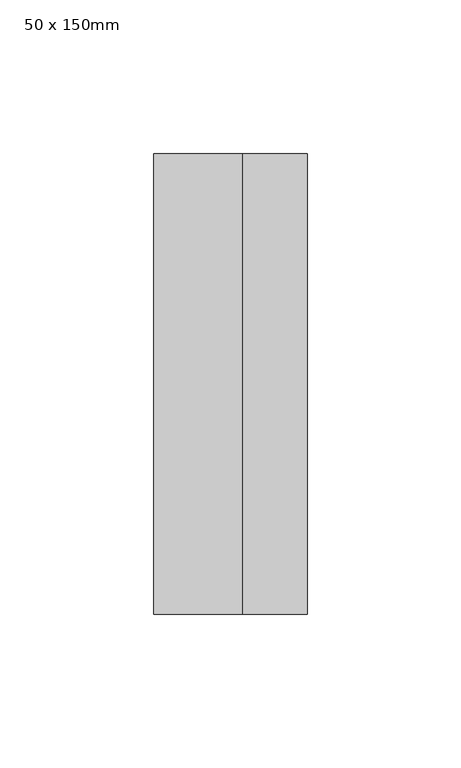
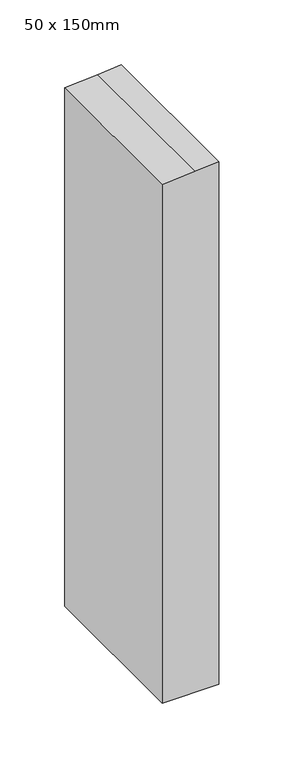
"""IFC4 building model written with IfcOpenShell, lengths in millimetres: member geometry, 50 x 150mm."""

from ifc_helpers import new_model, si_unit, frame, origin, place, context, project, spatial, polyline, outline, extrude, source, transform, mapped, element, save


def member_50_x_150mm_4c6797b7(model_context):
    return source(origin(), model_context, "Body", "SweptSolid", [
        extrude(outline(polyline([(-48.1523592, 25.0), (-49.8393678, 4.0046743), (-52.1699406, -25.0), (-538.9752422, -25.0), (-538.9752422, 25.0), (-48.1523592, 25.0)])), frame((0.0, -75.0, 0.0), z_axis=(0.0, 1.0, 0.0), x_axis=(0.0, 0.0, 1.0)), (0.0, 0.0, 1.0), 150.0),
    ])


if __name__ == "__main__":
    model = new_model("IFC4")
    model_context = context("Model", 3, world=origin())
    ifc_project = project(units=[si_unit("LENGTHUNIT", "METRE", prefix="MILLI")], contexts=[model_context])
    site = spatial("IfcSite", under=ifc_project)
    building = spatial("IfcBuilding", under=site)
    placement = place(None, origin())
    member_50_x_150mm_shape = member_50_x_150mm_4c6797b7(model_context)
    element("IfcMember", 1, ObjectType="50 x 150mm", at=placement, inside=building, context=model_context, shape_type="MappedRepresentation", body=[
        mapped(member_50_x_150mm_shape, transform((0.0, 0.0, 0.0), x_axis=(1.0, 0.0, 0.0), y_axis=(0.0, 1.0, 0.0), z_axis=(0.0, 0.0, 1.0))),
    ])
    save(model, "model.ifc")
